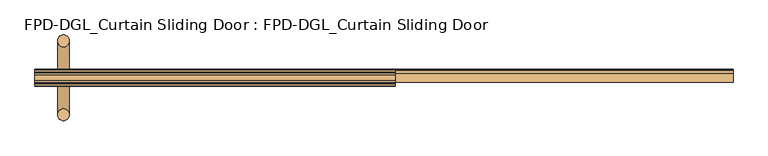
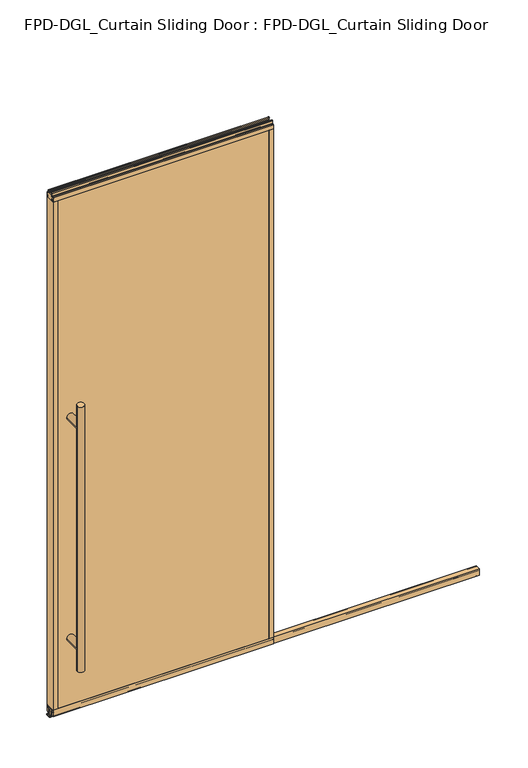
"""IFC4 building model written with IfcOpenShell, lengths in millimetres: door geometry, FPD-DGL_Curtain Sliding Door : FPD-DGL_Curtain Sliding Door."""

from ifc_helpers import new_model, si_unit, point, frame, frame_2d, origin, place, context, project, spatial, polyline, circle_curve, ellipse_curve, trimmed, segment, composite_curve, outline, extrude, source, transform, mapped, element, save
from ifc_brep_helpers import plane_surface, cylinder_surface, advanced_brep


def fpd_dgl_curtain_sliding_door_fpd_dgl_curtain_sliding_door_84301be5(model_context):
    return source(origin(), model_context, "Body", "SolidModel", [
        advanced_brep(
        [(-388.1311041, 35.128049, 1473.2), (-419.8811041, 35.128049, 1473.2), (-388.1311041, -162.0969566, 1473.2), (-419.8811041, -162.0969566, 1473.2), (-388.1311041, 35.128049, 254.0), (-419.8811041, 35.128049, 254.0), (-388.1311041, -162.0969566, 254.0), (-419.8811041, -162.0969566, 254.0), (-388.1311041, 35.128049, 355.6), (-419.8811041, 35.128049, 355.6), (-388.1311041, 35.128049, 1371.6), (-419.8811041, 35.128049, 1371.6), (-419.8811041, -162.0969566, 1371.6), (-419.8811041, -162.0969566, 355.6), (-388.1311041, -162.0969566, 355.6), (-388.1311041, -162.0969566, 1371.6)],
        [
            (0, 1, circle_curve(frame((-404.0061041, 35.128049, 1473.2), z_axis=(0.0, 0.0, 1.0), x_axis=(-1.0, 0.0, 0.0)), 15.875)),
            (1, 0, circle_curve(frame((-404.0061041, 35.128049, 1473.2), z_axis=(0.0, 0.0, 1.0), x_axis=(-1.0, 0.0, 0.0)), 15.875)),
            (2, 3, circle_curve(frame((-404.0061041, -162.0969566, 1473.2), z_axis=(0.0, 0.0, 1.0), x_axis=(-1.0, 0.0, 0.0)), 15.875)),
            (3, 2, circle_curve(frame((-404.0061041, -162.0969566, 1473.2), z_axis=(0.0, 0.0, 1.0), x_axis=(-1.0, 0.0, 0.0)), 15.875)),
            (4, 5, circle_curve(frame((-404.0061041, 35.128049, 254.0), z_axis=(0.0, 0.0, -1.0), x_axis=(-1.0, 0.0, 0.0)), 15.875)),
            (5, 4, circle_curve(frame((-404.0061041, 35.128049, 254.0), z_axis=(0.0, 0.0, -1.0), x_axis=(-1.0, 0.0, 0.0)), 15.875)),
            (6, 7, circle_curve(frame((-404.0061041, -162.0969566, 254.0), z_axis=(0.0, 0.0, -1.0), x_axis=(-1.0, 0.0, 0.0)), 15.875)),
            (7, 6, circle_curve(frame((-404.0061041, -162.0969566, 254.0), z_axis=(0.0, 0.0, -1.0), x_axis=(-1.0, 0.0, 0.0)), 15.875)),
            (4, 8),
            (8, 9, ellipse_curve(frame((-404.0061041, 35.128049, 355.6), z_axis=(0.0, 0.7071067811865525, -0.7071067811865427), x_axis=(0.0, 0.7071067811865427, 0.7071067811865523)), 22.4506403, 15.875)),
            (9, 5),
            (10, 11, ellipse_curve(frame((-404.0061041, 35.128049, 1371.6), z_axis=(0.0, 0.7071067811865427, -0.7071067811865525), x_axis=(0.0, 0.7071067811865525, 0.7071067811865425)), 22.4506403, 15.875)),
            (11, 9),
            (9, 8, ellipse_curve(frame((-404.0061041, 35.128049, 355.6), z_axis=(0.0, 0.7071067811865427, 0.7071067811865525), x_axis=(0.0, -0.7071067811865525, 0.7071067811865425)), 22.4506403, 15.875)),
            (8, 10),
            (1, 11),
            (11, 10, ellipse_curve(frame((-404.0061041, 35.128049, 1371.6), z_axis=(0.0, 0.7071067811865525, 0.7071067811865427), x_axis=(0.0, -0.7071067811865427, 0.7071067811865523)), 22.4506403, 15.875)),
            (10, 0),
            (3, 12),
            (12, 13),
            (13, 7),
            (6, 14),
            (14, 15),
            (15, 2),
            (15, 12, ellipse_curve(frame((-404.0061041, -162.0969566, 1371.6), z_axis=(0.0, -0.7071067811865427, 0.7071067811865525), x_axis=(0.0, 0.7071067811865525, 0.7071067811865425)), 22.4506403, 15.875)),
            (13, 14, ellipse_curve(frame((-404.0061041, -162.0969566, 355.6), z_axis=(0.0, -0.7071067811865427, -0.7071067811865525), x_axis=(0.0, -0.7071067811865525, 0.7071067811865425)), 22.4506403, 15.875)),
            (14, 13, ellipse_curve(frame((-404.0061041, -162.0969566, 355.6), z_axis=(0.0, -0.7071067811865525, 0.7071067811865427), x_axis=(0.0, 0.7071067811865427, 0.7071067811865523)), 22.4506403, 15.875)),
            (12, 15, ellipse_curve(frame((-404.0061041, -162.0969566, 1371.6), z_axis=(0.0, -0.7071067811865525, -0.7071067811865427), x_axis=(0.0, -0.7071067811865427, 0.7071067811865523)), 22.4506403, 15.875)),
            (10, 15),
            (12, 11),
            (8, 14),
            (13, 9),
        ],
        [
            plane_surface(frame((-304.8987034, -63.5, 1473.2), z_axis=(0.0, 0.0, 1.0), x_axis=(0.0, 1.0, 0.0))),
            plane_surface(frame((-304.8987034, -63.5, 254.0), z_axis=(0.0, 0.0, -1.0), x_axis=(0.0, 1.0, 0.0))),
            cylinder_surface(frame((-404.0061041, 35.128049, 1473.2), z_axis=(0.0, 0.0, 1.0), x_axis=(-1.0, 0.0, 0.0)), 15.875),
            cylinder_surface(frame((-404.0061041, -162.0969566, 1473.2), z_axis=(0.0, 0.0, 1.0), x_axis=(-1.0, 0.0, 0.0)), 15.875),
            cylinder_surface(frame((-404.0061041, -162.0969566, 1371.6), z_axis=(0.0, 1.0, 0.0), x_axis=(1.0, 0.0, 0.0)), 15.875),
            cylinder_surface(frame((-404.0061041, -63.5, 355.6), z_axis=(0.0, 1.0, 0.0), x_axis=(1.0, 0.0, 0.0)), 15.875),
        ],
        [
            (0, [[1, 2]]),
            (0, [[3, 4]]),
            (1, [[5, 6]]),
            (1, [[7, 8]]),
            (2, [[9, 10, 11, -5]]),
            (2, [[12, 13, 14, 15]]),
            (2, [[16, 17, 18, -2]]),
            (2, [[-18, -15, -9, -6, -11, -13, -16, -1]]),
            (3, [[19, 20, 21, -7, 22, 23, 24, -4]]),
            (3, [[-24, 25, -19, -3]]),
            (3, [[-21, 26, -22, -8]]),
            (3, [[27, -20, 28, -23]]),
            (4, [[-12, 29, -28, 30]]),
            (4, [[-25, -29, -17, -30]]),
            (5, [[-10, 31, -26, 32]]),
            (5, [[-27, -31, -14, -32]]),
        ],
    ),
        extrude(outline(composite_curve([segment(polyline([(-59.6869794, 1.1714386), (-59.6869794, 4.0416386)]), True, "CONTINUOUS"), segment(trimmed(circle_curve(frame_2d((-58.5185794, 4.0416386)), 1.1684), [point((-59.6869794, 4.0416386))], [point((-58.9336188, 5.1338386))], False, "CARTESIAN"), True, "CONTINUOUS"), segment(polyline([(-58.9336188, 5.1338386), (-56.2262294, 5.1338386), (-56.2262294, 4.3138948), (-58.9122794, 4.3138948), (-58.9122794, 0.7650387), (-40.4337797, 0.7650387), (-40.4337797, 4.4232339), (-43.4288569, 4.4232339), (-43.4288569, 5.2100386), (-40.8401797, 5.2100386)]), True, "CONTINUOUS"), segment(trimmed(circle_curve(frame_2d((-40.8401797, 4.0416386)), 1.1684), [point((-40.8401797, 5.2100386))], [point((-39.6717797, 4.0416386))], False, "CARTESIAN"), True, "CONTINUOUS"), segment(polyline([(-39.6717797, 4.0416386), (-39.6717797, 1.1714386)]), True, "CONTINUOUS"), segment(trimmed(circle_curve(frame_2d((-40.8401797, 1.1714386)), 1.1684), [point((-39.6717797, 1.1714386))], [point((-40.8401797, 0.0030387))], False, "CARTESIAN"), True, "CONTINUOUS"), segment(polyline([(-40.8401797, 0.0030387), (-58.5185794, 0.0030387)]), True, "CONTINUOUS"), segment(trimmed(circle_curve(frame_2d((-58.5185794, 1.1714386)), 1.1684), [point((-58.5185794, 0.0030387))], [point((-59.6869794, 1.1714386))], False, "CARTESIAN"), True, "CONTINUOUS")], self_intersect=False)), frame((-480.2061041, 0.0, 0.0), z_axis=(1.0, 0.0, 0.0), x_axis=(0.0, 1.0, 0.0)), (0.0, 0.0, 1.0), 1862.1122082),
        extrude(outline(composite_curve([segment(polyline([(-74.4646139, 41.6030387), (-52.5646141, 41.6030387), (-52.5646141, 11.6839647), (-54.064702, 11.6839647), (-54.064702, 39.1709995)]), True, "CONTINUOUS"), segment(trimmed(circle_curve(frame_2d((-54.9969627, 39.1709995)), 0.9322606), [point((-54.064702, 39.1709995))], [point((-54.9969627, 40.1032601))], True, "CARTESIAN"), True, "CONTINUOUS"), segment(polyline([(-54.9969627, 40.1032601), (-60.0857402, 40.1032601)]), True, "CONTINUOUS"), segment(trimmed(circle_curve(frame_2d((-60.0857402, 39.1243868)), 0.9788733), [point((-60.0857402, 40.1032601))], [point((-61.0646135, 39.1243868))], True, "CARTESIAN"), True, "CONTINUOUS"), segment(polyline([(-61.0646135, 39.1243868), (-61.0646135, 11.6839647), (-62.6646138, 11.6839647), (-62.6646138, 33.5017657), (-64.0544462, 33.5017657), (-64.0544462, 34.3040626), (-62.6646138, 34.3040626), (-62.6646138, 35.6040627), (-73.4646139, 35.6040627), (-73.4646139, 34.3040626), (-72.0747815, 34.3040626), (-72.0747815, 33.5017657), (-73.4646139, 33.5017657), (-73.4646139, 11.6839647), (-74.4646139, 11.6839647), (-74.4646139, 41.6030387)]), True, "CONTINUOUS")], self_intersect=False)), frame((-480.2061041, 0.0, 0.0), z_axis=(1.0, 0.0, 0.0), x_axis=(0.0, 1.0, 0.0)), (0.0, 0.0, 1.0), 1862.1122082),
        extrude(outline(composite_curve([segment(polyline([(-49.1758097, 48.6471016), (-49.1758097, 47.6299627), (-50.5428229, 47.6299627), (-50.5428229, 41.3613764)]), True, "CONTINUOUS"), segment(trimmed(circle_curve(frame_2d((-48.227348, 41.3613764)), 2.3154748), [point((-50.5428229, 41.3613764))], [point((-48.227348, 39.0459016))], True, "CARTESIAN"), True, "CONTINUOUS"), segment(polyline([(-48.227348, 39.0459016), (-43.2396246, 39.0522555)]), True, "CONTINUOUS"), segment(trimmed(circle_curve(frame_2d((-43.337823, 39.8079016)), 0.762), [point((-43.2396246, 39.0522555))], [point((-42.575823, 39.8079016))], True, "CARTESIAN"), True, "CONTINUOUS"), segment(polyline([(-42.575823, 39.8079016), (-42.575823, 48.6471016), (-41.2758255, 48.6471016), (-41.2758255, 19.0059017), (-50.3972378, 19.0059017), (-50.3972378, 15.875), (-52.3015279, 15.875), (-52.3015279, 47.0470737), (-74.6984721, 47.0470737), (-74.6984721, 15.875), (-76.6027622, 15.875), (-76.6027622, 19.0059017), (-85.7241745, 19.0059017), (-85.7241745, 48.6471016), (-84.424177, 48.6471016), (-84.424177, 39.8079016)]), True, "CONTINUOUS"), segment(trimmed(circle_curve(frame_2d((-83.662177, 39.8079016)), 0.762), [point((-84.424177, 39.8079016))], [point((-83.7603754, 39.0522555))], True, "CARTESIAN"), True, "CONTINUOUS"), segment(polyline([(-83.7603754, 39.0522555), (-78.772652, 39.0459016)]), True, "CONTINUOUS"), segment(trimmed(circle_curve(frame_2d((-78.772652, 41.3613764)), 2.3154748), [point((-78.772652, 39.0459016))], [point((-76.4571771, 41.3613764))], True, "CARTESIAN"), True, "CONTINUOUS"), segment(polyline([(-76.4571771, 41.3613764), (-76.4571771, 47.6299627), (-77.8241903, 47.6299627), (-77.8241903, 48.6471016), (-49.1758097, 48.6471016)]), True, "CONTINUOUS")], self_intersect=False)), frame((-480.2061041, 0.0, 0.0), z_axis=(1.0, 0.0, 0.0), x_axis=(0.0, 1.0, 0.0)), (0.0, 0.0, 1.0), 960.4122082),
        extrude(outline(composite_curve([segment(polyline([(-55.1000175, 2419.5752356), (-50.0953412, 2419.5752356)]), True, "CONTINUOUS"), segment(trimmed(circle_curve(frame_2d((-50.0953412, 2418.9799231)), 0.5953125), [point((-50.0953412, 2419.5752356))], [point((-49.5000287, 2418.9799231))], False, "CARTESIAN"), True, "CONTINUOUS"), segment(polyline([(-49.5000287, 2418.9799231), (-49.5000287, 2407.6119216)]), True, "CONTINUOUS"), segment(trimmed(circle_curve(frame_2d((-47.5809248, 2407.6119216)), 1.919104), [point((-49.5000287, 2407.6119216))], [point((-47.5809248, 2405.6928176))], True, "CARTESIAN"), True, "CONTINUOUS"), segment(polyline([(-47.5809248, 2405.6928176), (-42.0750432, 2405.6928176)]), True, "CONTINUOUS"), segment(trimmed(circle_curve(frame_2d((-42.0750432, 2404.8928191)), 0.7999985), [point((-42.0750432, 2405.6928176))], [point((-41.2750446, 2404.8928191))], False, "CARTESIAN"), True, "CONTINUOUS"), segment(polyline([(-41.2750446, 2404.8928191), (-41.2750446, 2386.0078176), (-42.5750423, 2386.0078176), (-42.5750423, 2396.1077976)]), True, "CONTINUOUS"), segment(trimmed(circle_curve(frame_2d((-43.0750413, 2396.1077976)), 0.499999), [point((-42.5750423, 2396.1077976))], [point((-43.0750413, 2396.6077966))], True, "CARTESIAN"), True, "CONTINUOUS"), segment(polyline([(-43.0750413, 2396.6077966), (-49.1750289, 2396.6077966), (-49.1750289, 2386.0078176), (-77.8249714, 2386.0078176), (-77.8249714, 2396.6077966), (-83.9249587, 2396.6077966)]), True, "CONTINUOUS"), segment(trimmed(circle_curve(frame_2d((-83.9249587, 2396.1077976)), 0.499999), [point((-83.9249587, 2396.6077966))], [point((-84.4249577, 2396.1077976))], True, "CARTESIAN"), True, "CONTINUOUS"), segment(polyline([(-84.4249577, 2396.1077976), (-84.4249577, 2386.0078176), (-85.7249551, 2386.0078176), (-85.7249551, 2404.8928191)]), True, "CONTINUOUS"), segment(trimmed(circle_curve(frame_2d((-84.9249567, 2404.8928191)), 0.7999984), [point((-85.7249551, 2404.8928191))], [point((-84.9249567, 2405.6928175))], False, "CARTESIAN"), True, "CONTINUOUS"), segment(polyline([(-84.9249567, 2405.6928175), (-79.4190752, 2405.6928175)]), True, "CONTINUOUS"), segment(trimmed(circle_curve(frame_2d((-79.4190752, 2407.6119214)), 1.919104), [point((-79.4190752, 2405.6928175))], [point((-77.4999713, 2407.6119214))], True, "CARTESIAN"), True, "CONTINUOUS"), segment(polyline([(-77.4999713, 2407.6119214), (-77.4999713, 2418.9799231)]), True, "CONTINUOUS"), segment(trimmed(circle_curve(frame_2d((-76.9046588, 2418.9799231)), 0.5953125), [point((-77.4999713, 2418.9799231))], [point((-76.9046588, 2419.5752356))], False, "CARTESIAN"), True, "CONTINUOUS"), segment(polyline([(-76.9046588, 2419.5752356), (-71.8999825, 2419.5752356), (-71.8999825, 2417.5752396), (-75.4999752, 2417.5752396), (-75.4999752, 2409.0752566)]), True, "CONTINUOUS"), segment(trimmed(circle_curve(frame_2d((-74.9999762, 2409.0752566)), 0.499999), [point((-75.4999752, 2409.0752566))], [point((-74.9999762, 2408.5752576))], True, "CARTESIAN"), True, "CONTINUOUS"), segment(polyline([(-74.9999762, 2408.5752576), (-52.0000238, 2408.5752576)]), True, "CONTINUOUS"), segment(trimmed(circle_curve(frame_2d((-52.0000238, 2409.0752566)), 0.499999), [point((-52.0000238, 2408.5752576))], [point((-51.5000248, 2409.0752566))], True, "CARTESIAN"), True, "CONTINUOUS"), segment(polyline([(-51.5000248, 2409.0752566), (-51.5000248, 2417.5752396), (-55.1000175, 2417.5752396), (-55.1000175, 2419.5752356)]), True, "CONTINUOUS")], self_intersect=False)), frame((-480.2061041, 0.0, 0.0), z_axis=(1.0, 0.0, 0.0), x_axis=(0.0, 1.0, 0.0)), (0.0, 0.0, 1.0), 960.4122082),
        extrude(outline(polyline([(470.2692551, -84.4265993), (-470.2692551, -84.4265993), (-470.2692551, -77.825), (470.2692551, -77.825), (470.2692551, -84.4265993)])), frame((0.0, 0.0, 39.1580021), z_axis=(0.0, 0.0, 1.0), x_axis=(1.0, 0.0, 0.0)), (0.0, 0.0, 1.0), 2357.1832522),
        extrude(outline(polyline([(-470.2692551, -49.175), (-470.2692551, -42.5734007), (470.2692551, -42.5734007), (470.2692551, -49.175), (-470.2692551, -49.175)])), frame((0.0, 0.0, 39.1580021), z_axis=(0.0, 0.0, 1.0), x_axis=(1.0, 0.0, 0.0)), (0.0, 0.0, 1.0), 2357.1832522),
        extrude(outline(composite_curve([segment(polyline([(-480.2061041, -85.725), (-480.2061041, -41.275), (-459.6692551, -41.275), (-459.6692551, -42.5734), (-469.7400614, -42.5734)]), True, "CONTINUOUS"), segment(trimmed(circle_curve(frame_2d((-469.7400614, -43.1025937)), 0.5291937), [point((-469.7400614, -42.5734))], [point((-470.2692551, -43.1025937))], True, "CARTESIAN"), True, "CONTINUOUS"), segment(polyline([(-470.2692551, -43.1025937), (-470.2692551, -45.0596), (-471.469255, -45.0596), (-471.469255, -42.5798), (-478.402704, -42.5798), (-478.402704, -54.254802), (-471.469255, -54.254802), (-471.469255, -49.175), (-459.6692551, -49.175), (-459.6692551, -77.825), (-471.469255, -77.825), (-471.469255, -72.745198), (-478.402704, -72.745198), (-478.402704, -84.4202), (-471.469255, -84.4202), (-471.469255, -81.9404), (-470.2692551, -81.9404), (-470.2692551, -83.9185993)]), True, "CONTINUOUS"), segment(trimmed(circle_curve(frame_2d((-469.7612551, -83.9185993)), 0.508), [point((-470.2692551, -83.9185993))], [point((-469.7612551, -84.4265993))], True, "CARTESIAN"), True, "CONTINUOUS"), segment(polyline([(-469.7612551, -84.4265993), (-459.6692551, -84.4265993), (-459.6692551, -85.725), (-480.2061041, -85.725)]), True, "CONTINUOUS")], self_intersect=False)), frame((0.0, 0.0, 48.6471016), z_axis=(0.0, 0.0, 1.0), x_axis=(1.0, 0.0, 0.0)), (0.0, 0.0, 1.0), 2337.360716),
        extrude(outline(composite_curve([segment(polyline([(480.2061041, -85.725), (459.6692551, -85.725), (459.6692551, -84.4265993), (469.7612551, -84.4265993)]), True, "CONTINUOUS"), segment(trimmed(circle_curve(frame_2d((469.7612551, -83.9185993)), 0.508), [point((469.7612551, -84.4265993))], [point((470.2692551, -83.9185993))], True, "CARTESIAN"), True, "CONTINUOUS"), segment(polyline([(470.2692551, -83.9185993), (470.2692551, -81.9404), (471.469255, -81.9404), (471.469255, -84.4202), (478.402704, -84.4202), (478.402704, -72.745198), (471.469255, -72.745198), (471.469255, -77.825), (459.6692552, -77.825), (459.6692552, -49.175), (471.469255, -49.175), (471.469255, -54.254802), (478.402704, -54.254802), (478.402704, -42.5798), (471.469255, -42.5798), (471.469255, -45.0596), (470.2692551, -45.0596), (470.2692551, -43.1025937)]), True, "CONTINUOUS"), segment(trimmed(circle_curve(frame_2d((469.7400614, -43.1025937)), 0.5291937), [point((470.2692551, -43.1025937))], [point((469.7400614, -42.5734))], True, "CARTESIAN"), True, "CONTINUOUS"), segment(polyline([(469.7400614, -42.5734), (459.6692551, -42.5734), (459.6692551, -41.275), (480.2061041, -41.275), (480.2061041, -85.725)]), True, "CONTINUOUS")], self_intersect=False)), frame((0.0, 0.0, 48.6471016), z_axis=(0.0, 0.0, 1.0), x_axis=(1.0, 0.0, 0.0)), (0.0, 0.0, 1.0), 2337.360716),
    ])


if __name__ == "__main__":
    model = new_model("IFC4")
    model_context = context("Model", 3, world=origin())
    ifc_project = project(units=[si_unit("LENGTHUNIT", "METRE", prefix="MILLI")], contexts=[model_context])
    site = spatial("IfcSite", under=ifc_project)
    building = spatial("IfcBuilding", under=site)
    placement = place(None, origin())
    fpd_dgl_curtain_sliding_door_fpd_dgl_curtain_sliding_door_shape = fpd_dgl_curtain_sliding_door_fpd_dgl_curtain_sliding_door_84301be5(model_context)
    element("IfcDoor", 1, ObjectType="FPD-DGL_Curtain Sliding Door : FPD-DGL_Curtain Sliding Door", at=placement, inside=building, context=model_context, shape_type="MappedRepresentation", body=[
        mapped(fpd_dgl_curtain_sliding_door_fpd_dgl_curtain_sliding_door_shape, transform((0.0, 0.0, 0.0), x_axis=(1.0, 0.0, 0.0), y_axis=(0.0, 1.0, 0.0), z_axis=(0.0, 0.0, 1.0))),
    ])
    save(model, "model.ifc")
